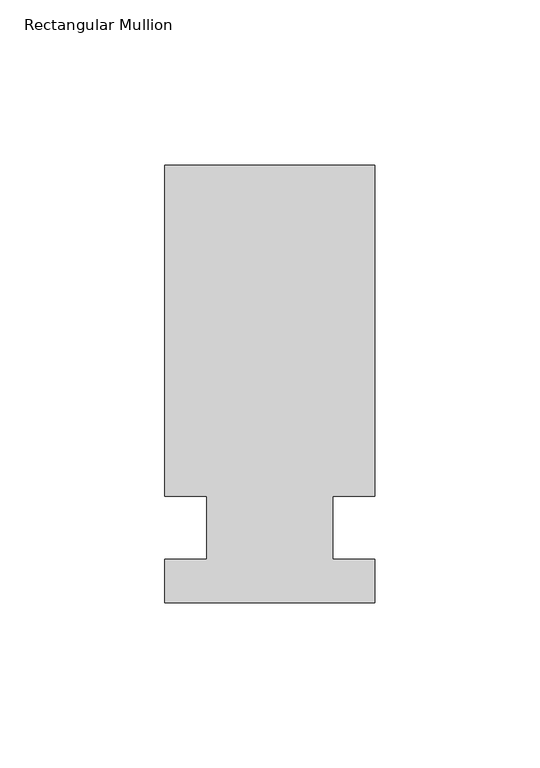
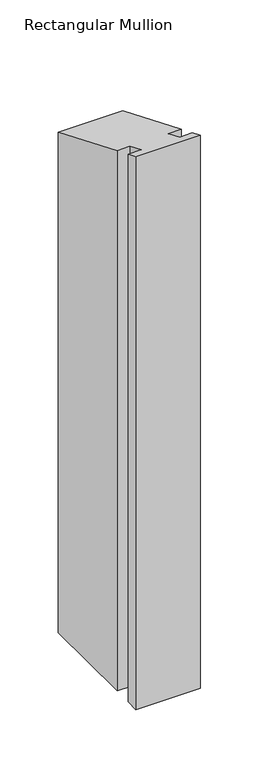
"""IFC4 building model written with IfcOpenShell, lengths in millimetres: member geometry, Rectangular Mullion."""

from ifc_helpers import new_model, si_unit, origin, place, context, project, spatial, faceted_brep, source, transform, mapped, element, save


def rectangular_mullion_bd02dc91(model_context):
    return source(origin(), model_context, "Body", "Brep", [
        faceted_brep([(-63.5, 132.6522936, -577.85), (0.0, 132.6522936, -577.85), (0.0, 32.2460937, -577.85), (-12.7, 32.2460937, -577.85), (-12.7, 13.1960936, -577.85), (0.0, 13.1960936, -577.85), (0.0, 0.0134937, -577.85), (-63.5, 0.0134937, -577.85), (-63.5, 13.1960937, -577.85), (-50.8, 13.1960937, -577.85), (-50.8, 32.2460937, -577.85), (-63.5, 32.2460937, -577.85), (-63.5, 32.2460937, -13.3567694), (-63.5, 132.6522936, -54.9463791), (-50.8, 32.2460937, -13.3567694), (-50.8, 13.1960937, -5.466001), (-63.5, 13.1960937, -5.466001), (-63.5, 0.0134937, -0.0055893), (0.0, 0.0134937, -0.0055893), (0.0, 13.1960936, -5.466001), (-12.7, 13.1960936, -5.466001), (-12.7, 32.2460937, -13.3567694), (0.0, 32.2460937, -13.3567694), (0.0, 132.6522936, -54.9463791)], [[[0, 1, 2, 3, 4, 5, 6, 7, 8, 9, 10, 11]], [[12, 13, 0, 11]], [[14, 12, 11, 10]], [[15, 14, 10, 9]], [[16, 15, 9, 8]], [[17, 16, 8, 7]], [[18, 17, 7, 6]], [[19, 18, 6, 5]], [[20, 19, 5, 4]], [[21, 20, 4, 3]], [[22, 21, 3, 2]], [[23, 22, 2, 1]], [[13, 23, 1, 0]], [[13, 12, 14, 15, 16, 17, 18, 19, 20, 21, 22, 23]]]),
    ])


if __name__ == "__main__":
    model = new_model("IFC4")
    model_context = context("Model", 3, world=origin())
    ifc_project = project(units=[si_unit("LENGTHUNIT", "METRE", prefix="MILLI")], contexts=[model_context])
    site = spatial("IfcSite", under=ifc_project)
    building = spatial("IfcBuilding", under=site)
    placement = place(None, origin())
    rectangular_mullion_shape = rectangular_mullion_bd02dc91(model_context)
    element("IfcMember", 1, ObjectType="Rectangular Mullion", at=placement, inside=building, context=model_context, shape_type="MappedRepresentation", body=[
        mapped(rectangular_mullion_shape, transform((0.0, 0.0, 0.0), x_axis=(1.0, 0.0, 0.0), y_axis=(0.0, 1.0, 0.0), z_axis=(0.0, 0.0, 1.0))),
    ])
    save(model, "model.ifc")
